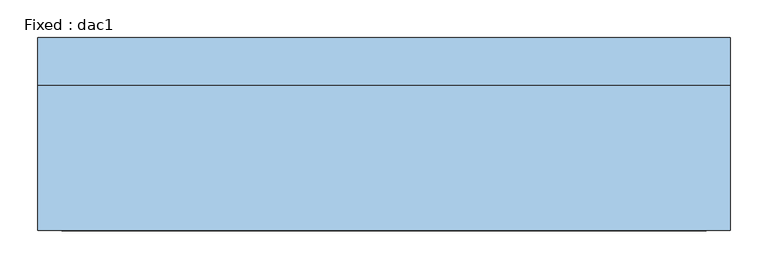
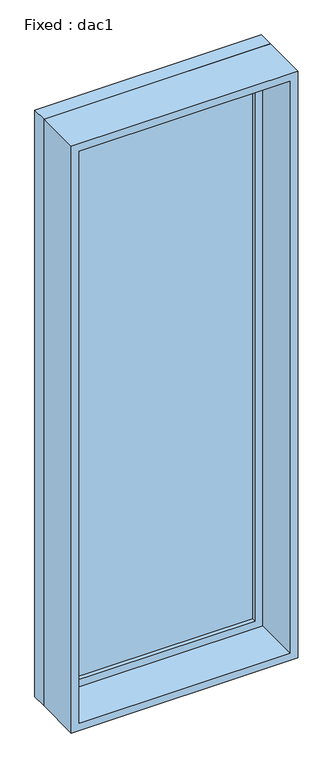
"""IFC4 building model written with IfcOpenShell, lengths in millimetres: window geometry, Fixed : dac1."""

from ifc_helpers import new_model, si_unit, frame, origin, place, context, project, spatial, polyline, outline, extrude, source, transform, mapped, element, save


def fixed_dac1_4e30f19d(model_context):
    return source(origin(), model_context, "Body", "SweptSolid", [
        extrude(outline(polyline([(355.6, 79.85), (-431.8, 79.85), (-431.8, 92.55), (355.6, 92.55), (355.6, 79.85)])), frame((0.0, 0.0, 263.5), z_axis=(0.0, 0.0, 1.0), x_axis=(1.0, 0.0, 0.0)), (0.0, 0.0, 1.0), 2373.0),
        extrude(outline(polyline([(2680.95, -476.25), (219.05, -476.25), (219.05, 400.05), (2680.95, 400.05), (2680.95, -476.25)]), holes=[polyline([(2636.5, -431.8), (2636.5, 355.6), (263.5, 355.6), (263.5, -431.8), (2636.5, -431.8)])]), frame((0.0, 63.975, 0.0), z_axis=(0.0, 1.0, 0.0), x_axis=(0.0, 0.0, 1.0)), (0.0, 0.0, 1.0), 44.45),
        extrude(outline(polyline([(2700.0, -495.3), (200.0, -495.3), (200.0, 419.1), (2700.0, 419.1), (2700.0, -495.3)]), holes=[polyline([(2668.25, -463.55), (2668.25, 387.35), (231.75, 387.35), (231.75, -463.55), (2668.25, -463.55)])]), frame((0.0, -127.475, 0.0), z_axis=(0.0, 1.0, 0.0), x_axis=(0.0, 0.0, 1.0)), (0.0, 0.0, 1.0), 191.45),
        extrude(outline(polyline([(2700.0, 419.1), (2700.0, -495.3), (200.0, -495.3), (200.0, 419.1), (2700.0, 419.1)]), holes=[polyline([(2680.95, 400.05), (219.05, 400.05), (219.05, -476.25), (2680.95, -476.25), (2680.95, 400.05)])]), frame((0.0, 63.975, 0.0), z_axis=(0.0, 1.0, 0.0), x_axis=(0.0, 0.0, 1.0)), (0.0, 0.0, 1.0), 63.5),
    ])


if __name__ == "__main__":
    model = new_model("IFC4")
    model_context = context("Model", 3, world=origin())
    ifc_project = project(units=[si_unit("LENGTHUNIT", "METRE", prefix="MILLI")], contexts=[model_context])
    site = spatial("IfcSite", under=ifc_project)
    building = spatial("IfcBuilding", under=site)
    placement = place(None, origin())
    fixed_dac1_shape = fixed_dac1_4e30f19d(model_context)
    element("IfcWindow", 1, ObjectType="Fixed : dac1", at=placement, inside=building, context=model_context, shape_type="MappedRepresentation", body=[
        mapped(fixed_dac1_shape, transform((0.0, 0.0, 0.0), x_axis=(1.0, 0.0, 0.0), y_axis=(0.0, 1.0, 0.0), z_axis=(0.0, 0.0, 1.0))),
    ])
    save(model, "model.ifc")
